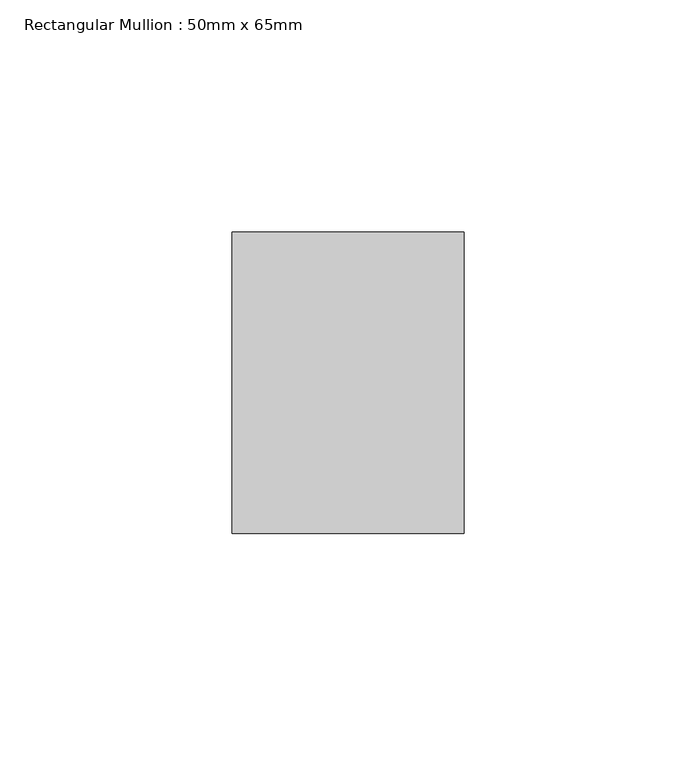
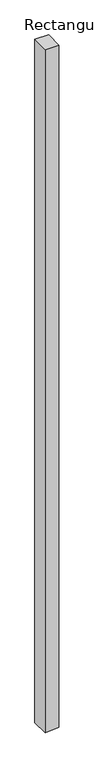
"""IFC4 building model written with IfcOpenShell, lengths in millimetres: member geometry, Rectangular Mullion : 50mm x 65mm."""

from ifc_helpers import new_model, si_unit, origin, place, context, project, spatial, faceted_brep, source, transform, mapped, element, save


def rectangular_mullion_50mm_x_65mm_8dbde96b(model_context):
    return source(origin(), model_context, "Body", "Brep", [
        faceted_brep([(25.0, 32.5, 0.0), (-25.0, 32.5, 0.0), (-25.0, -32.5, 0.0), (25.0, -32.5, 0.0), (25.0, 32.5, -2649.8728669), (-25.0, 32.5, -2652.1878508), (-25.0, -32.5, -2650.2754695), (25.0, -32.5, -2647.9604855)], [[[0, 1, 2, 3]], [[1, 0, 4, 5]], [[2, 1, 5, 6]], [[3, 2, 6, 7]], [[0, 3, 7, 4]], [[4, 7, 6, 5]]]),
    ])


if __name__ == "__main__":
    model = new_model("IFC4")
    model_context = context("Model", 3, world=origin())
    ifc_project = project(units=[si_unit("LENGTHUNIT", "METRE", prefix="MILLI")], contexts=[model_context])
    site = spatial("IfcSite", under=ifc_project)
    building = spatial("IfcBuilding", under=site)
    placement = place(None, origin())
    rectangular_mullion_50mm_x_65mm_shape = rectangular_mullion_50mm_x_65mm_8dbde96b(model_context)
    element("IfcMember", 1, ObjectType="Rectangular Mullion : 50mm x 65mm", at=placement, inside=building, context=model_context, shape_type="MappedRepresentation", body=[
        mapped(rectangular_mullion_50mm_x_65mm_shape, transform((0.0, 0.0, 0.0), x_axis=(1.0, 0.0, 0.0), y_axis=(0.0, 1.0, 0.0), z_axis=(0.0, 0.0, 1.0))),
    ])
    save(model, "model.ifc")
